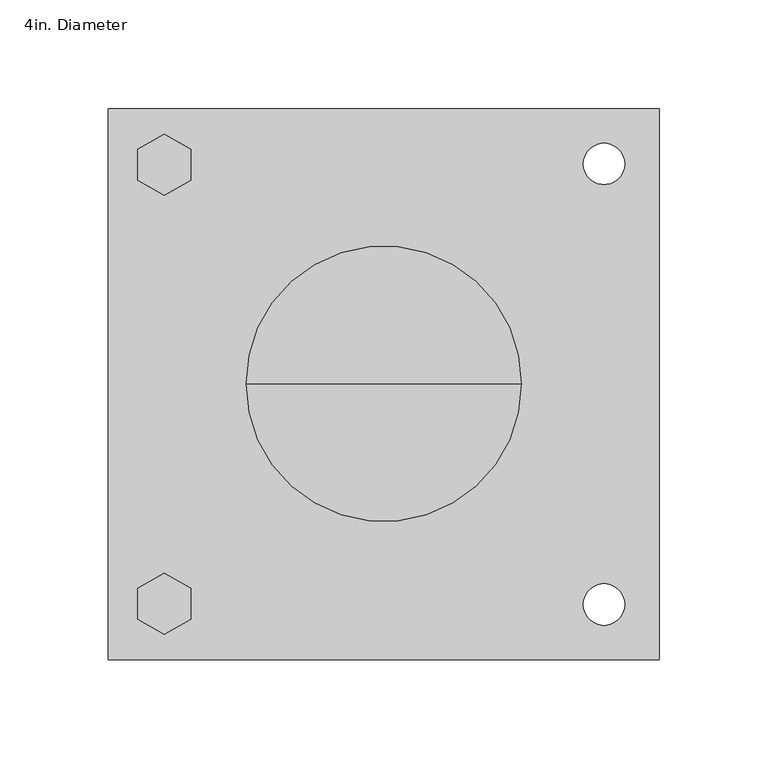
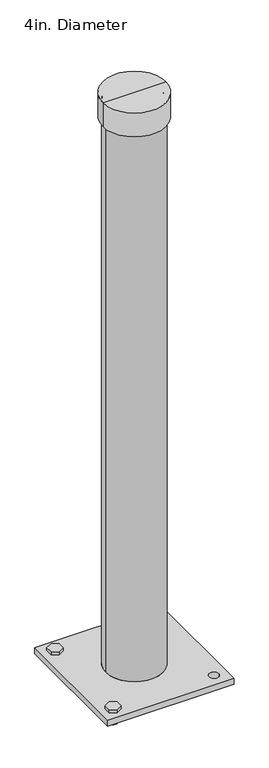
"""IFC4 building model written with IfcOpenShell, lengths in millimetres: proxy geometry, 4in. Diameter."""

from ifc_helpers import new_model, si_unit, frame, origin, place, context, project, spatial, polyline, circle_curve, source, transform, mapped, element, save
from ifc_brep_helpers import plane_surface, cylinder_surface, revolved_surface, advanced_brep


def proxy_4in_diameter_64a2c681(model_context):
    return source(origin(), model_context, "Body", "AdvancedBrep", [
        advanced_brep(
        [(-108.4356769, -101.6, 12.7009058), (-110.5262054, -101.6, 11.4939386), (-92.6885919, -101.6, 11.4939386), (-94.7791204, -101.6, 12.7009058), (-108.4356769, -101.6, 10.5191092), (-94.7791204, -101.6, 10.5191092), (-110.5262054, -101.6, 9.312142), (-92.6885919, -101.6, 9.312142), (-108.4356769, -101.6, 8.3373125), (-94.7791204, -101.6, 8.3373125), (-110.5262054, -101.6, 7.1303454), (-92.6885919, -101.6, 7.1303454), (-108.4356769, -101.6, 6.1555159), (-94.7791204, -101.6, 6.1555159), (-110.5262054, -101.6, 4.9485487), (-92.6885919, -101.6, 4.9485487), (-108.4356769, -101.6, 3.9737193), (-94.7791204, -101.6, 3.9737193), (-110.5262054, -101.6, 2.7667521), (-92.6885919, -101.6, 2.7667521), (-108.4356769, -101.6, 1.7919227), (-94.7791204, -101.6, 1.7919227), (-110.5262054, -101.6, 0.5849555), (-92.6885919, -101.6, 0.5849555), (-108.4356769, -101.6, -0.3898739), (-94.7791204, -101.6, -0.3898739), (-110.5262054, -101.6, -1.5968411), (-92.6885919, -101.6, -1.5968411), (-108.4356769, -101.6, -2.5716705), (-94.7791204, -101.6, -2.5716705), (-110.5262054, -101.6, -3.7786377), (-92.6885919, -101.6, -3.7786377), (-108.4356769, -101.6, -4.7534672), (-94.7791204, -101.6, -4.7534672), (-110.5262054, -101.6, -5.9604343), (-92.6885919, -101.6, -5.9604343), (-108.4356769, -101.6, -6.9352638), (-94.7791204, -101.6, -6.9352638), (-110.5262054, -101.6, -8.142231), (-92.6885919, -101.6, -8.142231), (-108.4356769, -101.6, -9.1170604), (-94.7791204, -101.6, -9.1170604), (-110.5262054, -101.6, -10.3240276), (-92.6885919, -101.6, -10.3240276), (-108.4356769, -101.6, -11.298857), (-94.7791204, -101.6, -11.298857), (-110.5262054, -101.6, -12.5058242), (-92.6885919, -101.6, -12.5058242), (-108.4356769, -101.6, -13.4806536), (-94.7791204, -101.6, -13.4806536), (-110.5262054, -101.6, -14.6876208), (-92.6885919, -101.6, -14.6876208), (-101.6073986, -101.6, -14.6876208), (-101.3261606, -115.3513169, 19.0730774), (-89.0931953, -108.2886111, 19.0730774), (-89.0931953, -94.1631994, 19.0730774), (-101.3261606, -87.1004935, 19.0730774), (-113.559126, -94.1631994, 19.0730774), (-113.559126, -108.2886111, 19.0730774), (-101.3261606, -115.3513169, 12.7), (-113.559126, -108.2886111, 12.7), (-113.559126, -94.1631994, 12.7), (-101.3261606, -87.1004935, 12.7), (-89.0931953, -94.1631994, 12.7), (-89.0931953, -108.2886111, 12.7)],
        [
            (0, 1),
            (1, 2, circle_curve(frame((-101.6073986, -101.6, 11.4939386), z_axis=(0.0, 0.0, 1.0), x_axis=(-1.0, 0.0, 0.0)), 8.9188068)),
            (2, 3),
            (3, 0, circle_curve(frame((-101.6073986, -101.6, 12.7), z_axis=(0.0, 0.0, -1.0), x_axis=(-1.0, 0.0, 0.0)), 6.8298471)),
            (0, 3, circle_curve(frame((-101.6073986, -101.6, 12.7), z_axis=(0.0, 0.0, -1.0), x_axis=(-1.0, 0.0, 0.0)), 6.8298471)),
            (2, 1, circle_curve(frame((-101.6073986, -101.6, 11.4939386), z_axis=(0.0, 0.0, 1.0), x_axis=(-1.0, 0.0, 0.0)), 8.9188068)),
            (1, 4),
            (4, 5, circle_curve(frame((-101.6073986, -101.6, 10.5191092), z_axis=(0.0, 0.0, 1.0), x_axis=(-1.0, 0.0, 0.0)), 6.8282783)),
            (5, 2),
            (5, 4, circle_curve(frame((-101.6073986, -101.6, 10.5191092), z_axis=(0.0, 0.0, 1.0), x_axis=(-1.0, 0.0, 0.0)), 6.8282783)),
            (4, 6),
            (6, 7, circle_curve(frame((-101.6073986, -101.6, 9.312142), z_axis=(0.0, 0.0, 1.0), x_axis=(-1.0, 0.0, 0.0)), 8.9188068)),
            (7, 5),
            (7, 6, circle_curve(frame((-101.6073986, -101.6, 9.312142), z_axis=(0.0, 0.0, 1.0), x_axis=(-1.0, 0.0, 0.0)), 8.9188068)),
            (6, 8),
            (8, 9, circle_curve(frame((-101.6073986, -101.6, 8.3373125), z_axis=(0.0, 0.0, 1.0), x_axis=(-1.0, 0.0, 0.0)), 6.8282783)),
            (9, 7),
            (9, 8, circle_curve(frame((-101.6073986, -101.6, 8.3373125), z_axis=(0.0, 0.0, 1.0), x_axis=(-1.0, 0.0, 0.0)), 6.8282783)),
            (8, 10),
            (10, 11, circle_curve(frame((-101.6073986, -101.6, 7.1303454), z_axis=(0.0, 0.0, 1.0), x_axis=(-1.0, 0.0, 0.0)), 8.9188068)),
            (11, 9),
            (11, 10, circle_curve(frame((-101.6073986, -101.6, 7.1303454), z_axis=(0.0, 0.0, 1.0), x_axis=(-1.0, 0.0, 0.0)), 8.9188068)),
            (10, 12),
            (12, 13, circle_curve(frame((-101.6073986, -101.6, 6.1555159), z_axis=(0.0, 0.0, 1.0), x_axis=(-1.0, 0.0, 0.0)), 6.8282783)),
            (13, 11),
            (13, 12, circle_curve(frame((-101.6073986, -101.6, 6.1555159), z_axis=(0.0, 0.0, 1.0), x_axis=(-1.0, 0.0, 0.0)), 6.8282783)),
            (12, 14),
            (14, 15, circle_curve(frame((-101.6073986, -101.6, 4.9485487), z_axis=(0.0, 0.0, 1.0), x_axis=(-1.0, 0.0, 0.0)), 8.9188068)),
            (15, 13),
            (15, 14, circle_curve(frame((-101.6073986, -101.6, 4.9485487), z_axis=(0.0, 0.0, 1.0), x_axis=(-1.0, 0.0, 0.0)), 8.9188068)),
            (14, 16),
            (16, 17, circle_curve(frame((-101.6073986, -101.6, 3.9737193), z_axis=(0.0, 0.0, 1.0), x_axis=(-1.0, 0.0, 0.0)), 6.8282783)),
            (17, 15),
            (17, 16, circle_curve(frame((-101.6073986, -101.6, 3.9737193), z_axis=(0.0, 0.0, 1.0), x_axis=(-1.0, 0.0, 0.0)), 6.8282783)),
            (16, 18),
            (18, 19, circle_curve(frame((-101.6073986, -101.6, 2.7667521), z_axis=(0.0, 0.0, 1.0), x_axis=(-1.0, 0.0, 0.0)), 8.9188068)),
            (19, 17),
            (19, 18, circle_curve(frame((-101.6073986, -101.6, 2.7667521), z_axis=(0.0, 0.0, 1.0), x_axis=(-1.0, 0.0, 0.0)), 8.9188068)),
            (18, 20),
            (20, 21, circle_curve(frame((-101.6073986, -101.6, 1.7919227), z_axis=(0.0, 0.0, 1.0), x_axis=(-1.0, 0.0, 0.0)), 6.8282783)),
            (21, 19),
            (21, 20, circle_curve(frame((-101.6073986, -101.6, 1.7919227), z_axis=(0.0, 0.0, 1.0), x_axis=(-1.0, 0.0, 0.0)), 6.8282783)),
            (20, 22),
            (22, 23, circle_curve(frame((-101.6073986, -101.6, 0.5849555), z_axis=(0.0, 0.0, 1.0), x_axis=(-1.0, 0.0, 0.0)), 8.9188068)),
            (23, 21),
            (23, 22, circle_curve(frame((-101.6073986, -101.6, 0.5849555), z_axis=(0.0, 0.0, 1.0), x_axis=(-1.0, 0.0, 0.0)), 8.9188068)),
            (22, 24),
            (24, 25, circle_curve(frame((-101.6073986, -101.6, -0.3898739), z_axis=(0.0, 0.0, 1.0), x_axis=(-1.0, 0.0, 0.0)), 6.8282783)),
            (25, 23),
            (25, 24, circle_curve(frame((-101.6073986, -101.6, -0.3898739), z_axis=(0.0, 0.0, 1.0), x_axis=(-1.0, 0.0, 0.0)), 6.8282783)),
            (24, 26),
            (26, 27, circle_curve(frame((-101.6073986, -101.6, -1.5968411), z_axis=(0.0, 0.0, 1.0), x_axis=(-1.0, 0.0, 0.0)), 8.9188068)),
            (27, 25),
            (27, 26, circle_curve(frame((-101.6073986, -101.6, -1.5968411), z_axis=(0.0, 0.0, 1.0), x_axis=(-1.0, 0.0, 0.0)), 8.9188068)),
            (26, 28),
            (28, 29, circle_curve(frame((-101.6073986, -101.6, -2.5716705), z_axis=(0.0, 0.0, 1.0), x_axis=(-1.0, 0.0, 0.0)), 6.8282783)),
            (29, 27),
            (29, 28, circle_curve(frame((-101.6073986, -101.6, -2.5716705), z_axis=(0.0, 0.0, 1.0), x_axis=(-1.0, 0.0, 0.0)), 6.8282783)),
            (28, 30),
            (30, 31, circle_curve(frame((-101.6073986, -101.6, -3.7786377), z_axis=(0.0, 0.0, 1.0), x_axis=(-1.0, 0.0, 0.0)), 8.9188068)),
            (31, 29),
            (31, 30, circle_curve(frame((-101.6073986, -101.6, -3.7786377), z_axis=(0.0, 0.0, 1.0), x_axis=(-1.0, 0.0, 0.0)), 8.9188068)),
            (30, 32),
            (32, 33, circle_curve(frame((-101.6073986, -101.6, -4.7534672), z_axis=(0.0, 0.0, 1.0), x_axis=(-1.0, 0.0, 0.0)), 6.8282783)),
            (33, 31),
            (33, 32, circle_curve(frame((-101.6073986, -101.6, -4.7534672), z_axis=(0.0, 0.0, 1.0), x_axis=(-1.0, 0.0, 0.0)), 6.8282783)),
            (32, 34),
            (34, 35, circle_curve(frame((-101.6073986, -101.6, -5.9604343), z_axis=(0.0, 0.0, 1.0), x_axis=(-1.0, 0.0, 0.0)), 8.9188068)),
            (35, 33),
            (35, 34, circle_curve(frame((-101.6073986, -101.6, -5.9604343), z_axis=(0.0, 0.0, 1.0), x_axis=(-1.0, 0.0, 0.0)), 8.9188068)),
            (34, 36),
            (36, 37, circle_curve(frame((-101.6073986, -101.6, -6.9352638), z_axis=(0.0, 0.0, 1.0), x_axis=(-1.0, 0.0, 0.0)), 6.8282783)),
            (37, 35),
            (37, 36, circle_curve(frame((-101.6073986, -101.6, -6.9352638), z_axis=(0.0, 0.0, 1.0), x_axis=(-1.0, 0.0, 0.0)), 6.8282783)),
            (36, 38),
            (38, 39, circle_curve(frame((-101.6073986, -101.6, -8.142231), z_axis=(0.0, 0.0, 1.0), x_axis=(-1.0, 0.0, 0.0)), 8.9188068)),
            (39, 37),
            (39, 38, circle_curve(frame((-101.6073986, -101.6, -8.142231), z_axis=(0.0, 0.0, 1.0), x_axis=(-1.0, 0.0, 0.0)), 8.9188068)),
            (38, 40),
            (40, 41, circle_curve(frame((-101.6073986, -101.6, -9.1170604), z_axis=(0.0, 0.0, 1.0), x_axis=(-1.0, 0.0, 0.0)), 6.8282783)),
            (41, 39),
            (41, 40, circle_curve(frame((-101.6073986, -101.6, -9.1170604), z_axis=(0.0, 0.0, 1.0), x_axis=(-1.0, 0.0, 0.0)), 6.8282783)),
            (40, 42),
            (42, 43, circle_curve(frame((-101.6073986, -101.6, -10.3240276), z_axis=(0.0, 0.0, 1.0), x_axis=(-1.0, 0.0, 0.0)), 8.9188068)),
            (43, 41),
            (43, 42, circle_curve(frame((-101.6073986, -101.6, -10.3240276), z_axis=(0.0, 0.0, 1.0), x_axis=(-1.0, 0.0, 0.0)), 8.9188068)),
            (42, 44),
            (44, 45, circle_curve(frame((-101.6073986, -101.6, -11.298857), z_axis=(0.0, 0.0, 1.0), x_axis=(-1.0, 0.0, 0.0)), 6.8282783)),
            (45, 43),
            (45, 44, circle_curve(frame((-101.6073986, -101.6, -11.298857), z_axis=(0.0, 0.0, 1.0), x_axis=(-1.0, 0.0, 0.0)), 6.8282783)),
            (44, 46),
            (46, 47, circle_curve(frame((-101.6073986, -101.6, -12.5058242), z_axis=(0.0, 0.0, 1.0), x_axis=(-1.0, 0.0, 0.0)), 8.9188068)),
            (47, 45),
            (47, 46, circle_curve(frame((-101.6073986, -101.6, -12.5058242), z_axis=(0.0, 0.0, 1.0), x_axis=(-1.0, 0.0, 0.0)), 8.9188068)),
            (46, 48),
            (48, 49, circle_curve(frame((-101.6073986, -101.6, -13.4806536), z_axis=(0.0, 0.0, 1.0), x_axis=(-1.0, 0.0, 0.0)), 6.8282783)),
            (49, 47),
            (49, 48, circle_curve(frame((-101.6073986, -101.6, -13.4806536), z_axis=(0.0, 0.0, 1.0), x_axis=(-1.0, 0.0, 0.0)), 6.8282783)),
            (48, 50),
            (50, 51, circle_curve(frame((-101.6073986, -101.6, -14.6876208), z_axis=(0.0, 0.0, 1.0), x_axis=(-1.0, 0.0, 0.0)), 8.9188068)),
            (51, 49),
            (51, 50, circle_curve(frame((-101.6073986, -101.6, -14.6876208), z_axis=(0.0, 0.0, 1.0), x_axis=(-1.0, 0.0, 0.0)), 8.9188068)),
            (50, 52),
            (52, 51),
            (53, 54),
            (54, 55),
            (55, 56),
            (56, 57),
            (57, 58),
            (58, 53),
            (59, 60),
            (60, 61),
            (61, 62),
            (62, 63),
            (63, 64),
            (64, 59),
            (58, 60),
            (59, 53),
            (57, 61),
            (56, 62),
            (55, 63),
            (54, 64),
        ],
        [
            revolved_surface(polyline([(-110.5262054, -101.6, 11.4939386), (-108.4356769, -101.6, 12.7009058)]), (-101.6073986, -101.6, 12.5015625), (0.0, 0.0, 1.0)),
            revolved_surface(polyline([(-108.4356769, -101.6, 10.5191092), (-110.5262054, -101.6, 11.4939386)]), (-101.6073986, -101.6, 12.5015625), (0.0, 0.0, 1.0)),
            revolved_surface(polyline([(-110.5262054, -101.6, 9.312142), (-108.4356769, -101.6, 10.5191092)]), (-101.6073986, -101.6, 12.5015625), (0.0, 0.0, 1.0)),
            revolved_surface(polyline([(-108.4356769, -101.6, 8.3373125), (-110.5262054, -101.6, 9.312142)]), (-101.6073986, -101.6, 12.5015625), (0.0, 0.0, 1.0)),
            revolved_surface(polyline([(-110.5262054, -101.6, 7.1303454), (-108.4356769, -101.6, 8.3373125)]), (-101.6073986, -101.6, 12.5015625), (0.0, 0.0, 1.0)),
            revolved_surface(polyline([(-108.4356769, -101.6, 6.1555159), (-110.5262054, -101.6, 7.1303454)]), (-101.6073986, -101.6, 12.5015625), (0.0, 0.0, 1.0)),
            revolved_surface(polyline([(-110.5262054, -101.6, 4.9485487), (-108.4356769, -101.6, 6.1555159)]), (-101.6073986, -101.6, 12.5015625), (0.0, 0.0, 1.0)),
            revolved_surface(polyline([(-108.4356769, -101.6, 3.9737193), (-110.5262054, -101.6, 4.9485487)]), (-101.6073986, -101.6, 12.5015625), (0.0, 0.0, 1.0)),
            revolved_surface(polyline([(-110.5262054, -101.6, 2.7667521), (-108.4356769, -101.6, 3.9737193)]), (-101.6073986, -101.6, 12.5015625), (0.0, 0.0, 1.0)),
            revolved_surface(polyline([(-108.4356769, -101.6, 1.7919227), (-110.5262054, -101.6, 2.7667521)]), (-101.6073986, -101.6, 12.5015625), (0.0, 0.0, 1.0)),
            revolved_surface(polyline([(-110.5262054, -101.6, 0.5849555), (-108.4356769, -101.6, 1.7919227)]), (-101.6073986, -101.6, 12.5015625), (0.0, 0.0, 1.0)),
            revolved_surface(polyline([(-108.4356769, -101.6, -0.3898739), (-110.5262054, -101.6, 0.5849555)]), (-101.6073986, -101.6, 12.5015625), (0.0, 0.0, 1.0)),
            revolved_surface(polyline([(-110.5262054, -101.6, -1.5968411), (-108.4356769, -101.6, -0.3898739)]), (-101.6073986, -101.6, 12.5015625), (0.0, 0.0, 1.0)),
            revolved_surface(polyline([(-108.4356769, -101.6, -2.5716705), (-110.5262054, -101.6, -1.5968411)]), (-101.6073986, -101.6, 12.5015625), (0.0, 0.0, 1.0)),
            revolved_surface(polyline([(-110.5262054, -101.6, -3.7786377), (-108.4356769, -101.6, -2.5716705)]), (-101.6073986, -101.6, 12.5015625), (0.0, 0.0, 1.0)),
            revolved_surface(polyline([(-108.4356769, -101.6, -4.7534672), (-110.5262054, -101.6, -3.7786377)]), (-101.6073986, -101.6, 12.5015625), (0.0, 0.0, 1.0)),
            revolved_surface(polyline([(-110.5262054, -101.6, -5.9604343), (-108.4356769, -101.6, -4.7534672)]), (-101.6073986, -101.6, 12.5015625), (0.0, 0.0, 1.0)),
            revolved_surface(polyline([(-108.4356769, -101.6, -6.9352638), (-110.5262054, -101.6, -5.9604343)]), (-101.6073986, -101.6, 12.5015625), (0.0, 0.0, 1.0)),
            revolved_surface(polyline([(-110.5262054, -101.6, -8.142231), (-108.4356769, -101.6, -6.9352638)]), (-101.6073986, -101.6, 12.5015625), (0.0, 0.0, 1.0)),
            revolved_surface(polyline([(-108.4356769, -101.6, -9.1170604), (-110.5262054, -101.6, -8.142231)]), (-101.6073986, -101.6, 12.5015625), (0.0, 0.0, 1.0)),
            revolved_surface(polyline([(-110.5262054, -101.6, -10.3240276), (-108.4356769, -101.6, -9.1170604)]), (-101.6073986, -101.6, 12.5015625), (0.0, 0.0, 1.0)),
            revolved_surface(polyline([(-108.4356769, -101.6, -11.298857), (-110.5262054, -101.6, -10.3240276)]), (-101.6073986, -101.6, 12.5015625), (0.0, 0.0, 1.0)),
            revolved_surface(polyline([(-110.5262054, -101.6, -12.5058242), (-108.4356769, -101.6, -11.298857)]), (-101.6073986, -101.6, 12.5015625), (0.0, 0.0, 1.0)),
            revolved_surface(polyline([(-108.4356769, -101.6, -13.4806536), (-110.5262054, -101.6, -12.5058242)]), (-101.6073986, -101.6, 12.5015625), (0.0, 0.0, 1.0)),
            revolved_surface(polyline([(-110.5262054, -101.6, -14.6876208), (-108.4356769, -101.6, -13.4806536)]), (-101.6073986, -101.6, 12.5015625), (0.0, 0.0, 1.0)),
            plane_surface(frame((-101.6073986, -101.6, -14.6876208), z_axis=(0.0, 0.0, -1.0), x_axis=(-1.0, 0.0, 0.0))),
            plane_surface(frame((-87.272178, -107.2372462, 19.0730774), z_axis=(0.0, 0.0, 1.0), x_axis=(0.866025403784438, 0.5000000000000011, 0.0))),
            plane_surface(frame((-87.272178, -107.2372462, 12.7), z_axis=(0.0, 0.0, -1.0), x_axis=(-0.866025403784438, -0.5000000000000011, 0.0))),
            plane_surface(frame((-113.559126, -108.2886111, 19.0730774), z_axis=(-0.4999999999999984, -0.8660254037844396, 0.0), x_axis=(0.0, 0.0, -1.0))),
            plane_surface(frame((-113.559126, -94.1631994, 19.0730774), z_axis=(-1.0, 0.0, 0.0), x_axis=(0.0, 0.0, -1.0))),
            plane_surface(frame((-101.3261606, -87.1004935, 19.0730774), z_axis=(-0.5000000000000028, 0.8660254037844372, 0.0), x_axis=(0.0, 0.0, -1.0))),
            plane_surface(frame((-89.0931953, -94.1631994, 19.0730774), z_axis=(0.49999999999999434, 0.8660254037844419, 0.0), x_axis=(0.0, 0.0, -1.0))),
            plane_surface(frame((-89.0931953, -108.2886111, 19.0730774), z_axis=(1.0, 0.0, 0.0), x_axis=(0.0, 0.0, -1.0))),
            plane_surface(frame((-101.3261606, -115.3513169, 19.0730774), z_axis=(0.5000000000000011, -0.866025403784438, 0.0), x_axis=(0.0, 0.0, -1.0))),
        ],
        [
            (0, [[1, 2, 3, 4]]),
            (0, [[-1, 5, -3, 6]]),
            (1, [[-2, 7, 8, 9]]),
            (1, [[-6, -9, 10, -7]]),
            (2, [[-8, 11, 12, 13]]),
            (2, [[-10, -13, 14, -11]]),
            (3, [[-12, 15, 16, 17]]),
            (3, [[-14, -17, 18, -15]]),
            (4, [[-16, 19, 20, 21]]),
            (4, [[-18, -21, 22, -19]]),
            (5, [[-20, 23, 24, 25]]),
            (5, [[-22, -25, 26, -23]]),
            (6, [[-24, 27, 28, 29]]),
            (6, [[-26, -29, 30, -27]]),
            (7, [[-28, 31, 32, 33]]),
            (7, [[-30, -33, 34, -31]]),
            (8, [[-32, 35, 36, 37]]),
            (8, [[-34, -37, 38, -35]]),
            (9, [[-36, 39, 40, 41]]),
            (9, [[-38, -41, 42, -39]]),
            (10, [[-40, 43, 44, 45]]),
            (10, [[-42, -45, 46, -43]]),
            (11, [[-44, 47, 48, 49]]),
            (11, [[-46, -49, 50, -47]]),
            (12, [[-48, 51, 52, 53]]),
            (12, [[-50, -53, 54, -51]]),
            (13, [[-52, 55, 56, 57]]),
            (13, [[-54, -57, 58, -55]]),
            (14, [[-56, 59, 60, 61]]),
            (14, [[-58, -61, 62, -59]]),
            (15, [[-60, 63, 64, 65]]),
            (15, [[-62, -65, 66, -63]]),
            (16, [[-64, 67, 68, 69]]),
            (16, [[-66, -69, 70, -67]]),
            (17, [[-68, 71, 72, 73]]),
            (17, [[-70, -73, 74, -71]]),
            (18, [[-72, 75, 76, 77]]),
            (18, [[-74, -77, 78, -75]]),
            (19, [[-76, 79, 80, 81]]),
            (19, [[-78, -81, 82, -79]]),
            (20, [[-80, 83, 84, 85]]),
            (20, [[-82, -85, 86, -83]]),
            (21, [[-84, 87, 88, 89]]),
            (21, [[-86, -89, 90, -87]]),
            (22, [[-88, 91, 92, 93]]),
            (22, [[-90, -93, 94, -91]]),
            (23, [[-92, 95, 96, 97]]),
            (23, [[-94, -97, 98, -95]]),
            (24, [[-96, 99, 100, 101]]),
            (24, [[-98, -101, 102, -99]]),
            (25, [[-100, 103, 104]]),
            (25, [[-102, -104, -103]]),
            (26, [[105, 106, 107, 108, 109, 110]]),
            (27, [[111, 112, 113, 114, 115, 116], [-4, -5]]),
            (28, [[-110, 117, -111, 118]]),
            (29, [[-109, 119, -112, -117]]),
            (30, [[-108, 120, -113, -119]]),
            (31, [[-107, 121, -114, -120]]),
            (32, [[-106, 122, -115, -121]]),
            (33, [[-105, -118, -116, -122]]),
        ],
    ),
        advanced_brep(
        [(-101.3261606, 115.3513169, 19.0730774), (-113.559126, 108.2886111, 19.0730774), (-113.559126, 94.1631994, 19.0730774), (-101.3261606, 87.1004935, 19.0730774), (-89.0931953, 94.1631994, 19.0730774), (-89.0931953, 108.2886111, 19.0730774), (-101.3261606, 115.3513169, 12.7), (-89.0931953, 108.2886111, 12.7), (-89.0931953, 94.1631994, 12.7), (-101.3261606, 87.1004935, 12.7), (-113.559126, 94.1631994, 12.7), (-113.559126, 108.2886111, 12.7), (-94.7775515, 101.6, 12.7), (-108.4372458, 101.6, 12.7), (-92.6885919, 101.6, 11.4939386), (-110.5262054, 101.6, 11.4939386), (-94.7791204, 101.6, 10.5191092), (-108.4356769, 101.6, 10.5191092), (-92.6885919, 101.6, 9.312142), (-110.5262054, 101.6, 9.312142), (-94.7791204, 101.6, 8.3373125), (-108.4356769, 101.6, 8.3373125), (-92.6885919, 101.6, 7.1303454), (-110.5262054, 101.6, 7.1303454), (-94.7791204, 101.6, 6.1555159), (-108.4356769, 101.6, 6.1555159), (-92.6885919, 101.6, 4.9485487), (-110.5262054, 101.6, 4.9485487), (-94.7791204, 101.6, 3.9737193), (-108.4356769, 101.6, 3.9737193), (-92.6885919, 101.6, 2.7667521), (-110.5262054, 101.6, 2.7667521), (-94.7791204, 101.6, 1.7919227), (-108.4356769, 101.6, 1.7919227), (-92.6885919, 101.6, 0.5849555), (-110.5262054, 101.6, 0.5849555), (-94.7791204, 101.6, -0.3898739), (-108.4356769, 101.6, -0.3898739), (-92.6885919, 101.6, -1.5968411), (-110.5262054, 101.6, -1.5968411), (-94.7791204, 101.6, -2.5716705), (-108.4356769, 101.6, -2.5716705), (-92.6885919, 101.6, -3.7786377), (-110.5262054, 101.6, -3.7786377), (-94.7791204, 101.6, -4.7534672), (-108.4356769, 101.6, -4.7534672), (-92.6885919, 101.6, -5.9604343), (-110.5262054, 101.6, -5.9604343), (-94.7791204, 101.6, -6.9352638), (-108.4356769, 101.6, -6.9352638), (-92.6885919, 101.6, -8.142231), (-110.5262054, 101.6, -8.142231), (-94.7791204, 101.6, -9.1170604), (-108.4356769, 101.6, -9.1170604), (-92.6885919, 101.6, -10.3240276), (-110.5262054, 101.6, -10.3240276), (-94.7791204, 101.6, -11.298857), (-108.4356769, 101.6, -11.298857), (-92.6885919, 101.6, -12.5058242), (-110.5262054, 101.6, -12.5058242), (-94.7791204, 101.6, -13.4806536), (-108.4356769, 101.6, -13.4806536), (-92.6885919, 101.6, -14.6876208), (-110.5262054, 101.6, -14.6876208), (-101.6073986, 101.6, -14.6876208)],
        [
            (0, 1),
            (1, 2),
            (2, 3),
            (3, 4),
            (4, 5),
            (5, 0),
            (6, 7),
            (7, 8),
            (8, 9),
            (9, 10),
            (10, 11),
            (11, 6),
            (12, 13, circle_curve(frame((-101.6073986, 101.6, 12.7), z_axis=(0.0, 0.0, 1.0), x_axis=(-1.0, 0.0, 0.0)), 6.8298471)),
            (13, 12, circle_curve(frame((-101.6073986, 101.6, 12.7), z_axis=(0.0, 0.0, 1.0), x_axis=(-1.0, 0.0, 0.0)), 6.8298471)),
            (0, 6),
            (11, 1),
            (10, 2),
            (9, 3),
            (8, 4),
            (7, 5),
            (14, 15, circle_curve(frame((-101.6073986, 101.6, 11.4939386), z_axis=(0.0, 0.0, 1.0), x_axis=(-1.0, 0.0, 0.0)), 8.9188068)),
            (15, 13),
            (12, 14),
            (15, 14, circle_curve(frame((-101.6073986, 101.6, 11.4939386), z_axis=(0.0, 0.0, 1.0), x_axis=(-1.0, 0.0, 0.0)), 8.9188068)),
            (14, 16),
            (16, 17, circle_curve(frame((-101.6073986, 101.6, 10.5191092), z_axis=(0.0, 0.0, 1.0), x_axis=(-1.0, 0.0, 0.0)), 6.8282783)),
            (17, 15),
            (17, 16, circle_curve(frame((-101.6073986, 101.6, 10.5191092), z_axis=(0.0, 0.0, 1.0), x_axis=(-1.0, 0.0, 0.0)), 6.8282783)),
            (16, 18),
            (18, 19, circle_curve(frame((-101.6073986, 101.6, 9.312142), z_axis=(0.0, 0.0, 1.0), x_axis=(-1.0, 0.0, 0.0)), 8.9188068)),
            (19, 17),
            (19, 18, circle_curve(frame((-101.6073986, 101.6, 9.312142), z_axis=(0.0, 0.0, 1.0), x_axis=(-1.0, 0.0, 0.0)), 8.9188068)),
            (18, 20),
            (20, 21, circle_curve(frame((-101.6073986, 101.6, 8.3373125), z_axis=(0.0, 0.0, 1.0), x_axis=(-1.0, 0.0, 0.0)), 6.8282783)),
            (21, 19),
            (21, 20, circle_curve(frame((-101.6073986, 101.6, 8.3373125), z_axis=(0.0, 0.0, 1.0), x_axis=(-1.0, 0.0, 0.0)), 6.8282783)),
            (20, 22),
            (22, 23, circle_curve(frame((-101.6073986, 101.6, 7.1303454), z_axis=(0.0, 0.0, 1.0), x_axis=(-1.0, 0.0, 0.0)), 8.9188068)),
            (23, 21),
            (23, 22, circle_curve(frame((-101.6073986, 101.6, 7.1303454), z_axis=(0.0, 0.0, 1.0), x_axis=(-1.0, 0.0, 0.0)), 8.9188068)),
            (22, 24),
            (24, 25, circle_curve(frame((-101.6073986, 101.6, 6.1555159), z_axis=(0.0, 0.0, 1.0), x_axis=(-1.0, 0.0, 0.0)), 6.8282783)),
            (25, 23),
            (25, 24, circle_curve(frame((-101.6073986, 101.6, 6.1555159), z_axis=(0.0, 0.0, 1.0), x_axis=(-1.0, 0.0, 0.0)), 6.8282783)),
            (24, 26),
            (26, 27, circle_curve(frame((-101.6073986, 101.6, 4.9485487), z_axis=(0.0, 0.0, 1.0), x_axis=(-1.0, 0.0, 0.0)), 8.9188068)),
            (27, 25),
            (27, 26, circle_curve(frame((-101.6073986, 101.6, 4.9485487), z_axis=(0.0, 0.0, 1.0), x_axis=(-1.0, 0.0, 0.0)), 8.9188068)),
            (26, 28),
            (28, 29, circle_curve(frame((-101.6073986, 101.6, 3.9737193), z_axis=(0.0, 0.0, 1.0), x_axis=(-1.0, 0.0, 0.0)), 6.8282783)),
            (29, 27),
            (29, 28, circle_curve(frame((-101.6073986, 101.6, 3.9737193), z_axis=(0.0, 0.0, 1.0), x_axis=(-1.0, 0.0, 0.0)), 6.8282783)),
            (28, 30),
            (30, 31, circle_curve(frame((-101.6073986, 101.6, 2.7667521), z_axis=(0.0, 0.0, 1.0), x_axis=(-1.0, 0.0, 0.0)), 8.9188068)),
            (31, 29),
            (31, 30, circle_curve(frame((-101.6073986, 101.6, 2.7667521), z_axis=(0.0, 0.0, 1.0), x_axis=(-1.0, 0.0, 0.0)), 8.9188068)),
            (30, 32),
            (32, 33, circle_curve(frame((-101.6073986, 101.6, 1.7919227), z_axis=(0.0, 0.0, 1.0), x_axis=(-1.0, 0.0, 0.0)), 6.8282783)),
            (33, 31),
            (33, 32, circle_curve(frame((-101.6073986, 101.6, 1.7919227), z_axis=(0.0, 0.0, 1.0), x_axis=(-1.0, 0.0, 0.0)), 6.8282783)),
            (32, 34),
            (34, 35, circle_curve(frame((-101.6073986, 101.6, 0.5849555), z_axis=(0.0, 0.0, 1.0), x_axis=(-1.0, 0.0, 0.0)), 8.9188068)),
            (35, 33),
            (35, 34, circle_curve(frame((-101.6073986, 101.6, 0.5849555), z_axis=(0.0, 0.0, 1.0), x_axis=(-1.0, 0.0, 0.0)), 8.9188068)),
            (34, 36),
            (36, 37, circle_curve(frame((-101.6073986, 101.6, -0.3898739), z_axis=(0.0, 0.0, 1.0), x_axis=(-1.0, 0.0, 0.0)), 6.8282783)),
            (37, 35),
            (37, 36, circle_curve(frame((-101.6073986, 101.6, -0.3898739), z_axis=(0.0, 0.0, 1.0), x_axis=(-1.0, 0.0, 0.0)), 6.8282783)),
            (36, 38),
            (38, 39, circle_curve(frame((-101.6073986, 101.6, -1.5968411), z_axis=(0.0, 0.0, 1.0), x_axis=(-1.0, 0.0, 0.0)), 8.9188068)),
            (39, 37),
            (39, 38, circle_curve(frame((-101.6073986, 101.6, -1.5968411), z_axis=(0.0, 0.0, 1.0), x_axis=(-1.0, 0.0, 0.0)), 8.9188068)),
            (38, 40),
            (40, 41, circle_curve(frame((-101.6073986, 101.6, -2.5716705), z_axis=(0.0, 0.0, 1.0), x_axis=(-1.0, 0.0, 0.0)), 6.8282783)),
            (41, 39),
            (41, 40, circle_curve(frame((-101.6073986, 101.6, -2.5716705), z_axis=(0.0, 0.0, 1.0), x_axis=(-1.0, 0.0, 0.0)), 6.8282783)),
            (40, 42),
            (42, 43, circle_curve(frame((-101.6073986, 101.6, -3.7786377), z_axis=(0.0, 0.0, 1.0), x_axis=(-1.0, 0.0, 0.0)), 8.9188068)),
            (43, 41),
            (43, 42, circle_curve(frame((-101.6073986, 101.6, -3.7786377), z_axis=(0.0, 0.0, 1.0), x_axis=(-1.0, 0.0, 0.0)), 8.9188068)),
            (42, 44),
            (44, 45, circle_curve(frame((-101.6073986, 101.6, -4.7534672), z_axis=(0.0, 0.0, 1.0), x_axis=(-1.0, 0.0, 0.0)), 6.8282783)),
            (45, 43),
            (45, 44, circle_curve(frame((-101.6073986, 101.6, -4.7534672), z_axis=(0.0, 0.0, 1.0), x_axis=(-1.0, 0.0, 0.0)), 6.8282783)),
            (44, 46),
            (46, 47, circle_curve(frame((-101.6073986, 101.6, -5.9604343), z_axis=(0.0, 0.0, 1.0), x_axis=(-1.0, 0.0, 0.0)), 8.9188068)),
            (47, 45),
            (47, 46, circle_curve(frame((-101.6073986, 101.6, -5.9604343), z_axis=(0.0, 0.0, 1.0), x_axis=(-1.0, 0.0, 0.0)), 8.9188068)),
            (46, 48),
            (48, 49, circle_curve(frame((-101.6073986, 101.6, -6.9352638), z_axis=(0.0, 0.0, 1.0), x_axis=(-1.0, 0.0, 0.0)), 6.8282783)),
            (49, 47),
            (49, 48, circle_curve(frame((-101.6073986, 101.6, -6.9352638), z_axis=(0.0, 0.0, 1.0), x_axis=(-1.0, 0.0, 0.0)), 6.8282783)),
            (48, 50),
            (50, 51, circle_curve(frame((-101.6073986, 101.6, -8.142231), z_axis=(0.0, 0.0, 1.0), x_axis=(-1.0, 0.0, 0.0)), 8.9188068)),
            (51, 49),
            (51, 50, circle_curve(frame((-101.6073986, 101.6, -8.142231), z_axis=(0.0, 0.0, 1.0), x_axis=(-1.0, 0.0, 0.0)), 8.9188068)),
            (50, 52),
            (52, 53, circle_curve(frame((-101.6073986, 101.6, -9.1170604), z_axis=(0.0, 0.0, 1.0), x_axis=(-1.0, 0.0, 0.0)), 6.8282783)),
            (53, 51),
            (53, 52, circle_curve(frame((-101.6073986, 101.6, -9.1170604), z_axis=(0.0, 0.0, 1.0), x_axis=(-1.0, 0.0, 0.0)), 6.8282783)),
            (52, 54),
            (54, 55, circle_curve(frame((-101.6073986, 101.6, -10.3240276), z_axis=(0.0, 0.0, 1.0), x_axis=(-1.0, 0.0, 0.0)), 8.9188068)),
            (55, 53),
            (55, 54, circle_curve(frame((-101.6073986, 101.6, -10.3240276), z_axis=(0.0, 0.0, 1.0), x_axis=(-1.0, 0.0, 0.0)), 8.9188068)),
            (54, 56),
            (56, 57, circle_curve(frame((-101.6073986, 101.6, -11.298857), z_axis=(0.0, 0.0, 1.0), x_axis=(-1.0, 0.0, 0.0)), 6.8282783)),
            (57, 55),
            (57, 56, circle_curve(frame((-101.6073986, 101.6, -11.298857), z_axis=(0.0, 0.0, 1.0), x_axis=(-1.0, 0.0, 0.0)), 6.8282783)),
            (56, 58),
            (58, 59, circle_curve(frame((-101.6073986, 101.6, -12.5058242), z_axis=(0.0, 0.0, 1.0), x_axis=(-1.0, 0.0, 0.0)), 8.9188068)),
            (59, 57),
            (59, 58, circle_curve(frame((-101.6073986, 101.6, -12.5058242), z_axis=(0.0, 0.0, 1.0), x_axis=(-1.0, 0.0, 0.0)), 8.9188068)),
            (58, 60),
            (60, 61, circle_curve(frame((-101.6073986, 101.6, -13.4806536), z_axis=(0.0, 0.0, 1.0), x_axis=(-1.0, 0.0, 0.0)), 6.8282783)),
            (61, 59),
            (61, 60, circle_curve(frame((-101.6073986, 101.6, -13.4806536), z_axis=(0.0, 0.0, 1.0), x_axis=(-1.0, 0.0, 0.0)), 6.8282783)),
            (60, 62),
            (62, 63, circle_curve(frame((-101.6073986, 101.6, -14.6876208), z_axis=(0.0, 0.0, 1.0), x_axis=(-1.0, 0.0, 0.0)), 8.9188068)),
            (63, 61),
            (63, 62, circle_curve(frame((-101.6073986, 101.6, -14.6876208), z_axis=(0.0, 0.0, 1.0), x_axis=(-1.0, 0.0, 0.0)), 8.9188068)),
            (62, 64),
            (64, 63),
        ],
        [
            plane_surface(frame((-99.5051433, 116.4026818, 19.0730774), z_axis=(0.0, 0.0, 1.0), x_axis=(-0.8660254037844396, -0.4999999999999984, 0.0))),
            plane_surface(frame((-99.5051433, 116.4026818, 12.7), z_axis=(0.0, 0.0, -1.0), x_axis=(0.8660254037844396, 0.4999999999999984, 0.0))),
            plane_surface(frame((-101.3261606, 115.3513169, 19.0730774), z_axis=(-0.4999999999999984, 0.8660254037844396, 0.0), x_axis=(0.0, 0.0, -1.0))),
            plane_surface(frame((-113.559126, 108.2886111, 19.0730774), z_axis=(-1.0, 0.0, 0.0), x_axis=(0.0, 0.0, -1.0))),
            plane_surface(frame((-113.559126, 94.1631994, 19.0730774), z_axis=(-0.5000000000000028, -0.8660254037844372, 0.0), x_axis=(0.0, 0.0, -1.0))),
            plane_surface(frame((-101.3261606, 87.1004935, 19.0730774), z_axis=(0.49999999999999434, -0.8660254037844419, 0.0), x_axis=(0.0, 0.0, -1.0))),
            plane_surface(frame((-89.0931953, 94.1631994, 19.0730774), z_axis=(1.0, 0.0, 0.0), x_axis=(0.0, 0.0, -1.0))),
            plane_surface(frame((-89.0931953, 108.2886111, 19.0730774), z_axis=(0.5000000000000011, 0.866025403784438, 0.0), x_axis=(0.0, 0.0, -1.0))),
            revolved_surface(polyline([(-108.4356769, 101.6, 12.7009058), (-110.5262054, 101.6, 11.4939386)]), (-101.6073986, 101.6, 12.5015625), (0.0, 0.0, -1.0)),
            revolved_surface(polyline([(-110.5262054, 101.6, 11.4939386), (-108.4356769, 101.6, 10.5191092)]), (-101.6073986, 101.6, 12.5015625), (0.0, 0.0, -1.0)),
            revolved_surface(polyline([(-108.4356769, 101.6, 10.5191092), (-110.5262054, 101.6, 9.312142)]), (-101.6073986, 101.6, 12.5015625), (0.0, 0.0, -1.0)),
            revolved_surface(polyline([(-110.5262054, 101.6, 9.312142), (-108.4356769, 101.6, 8.3373125)]), (-101.6073986, 101.6, 12.5015625), (0.0, 0.0, -1.0)),
            revolved_surface(polyline([(-108.4356769, 101.6, 8.3373125), (-110.5262054, 101.6, 7.1303454)]), (-101.6073986, 101.6, 12.5015625), (0.0, 0.0, -1.0)),
            revolved_surface(polyline([(-110.5262054, 101.6, 7.1303454), (-108.4356769, 101.6, 6.1555159)]), (-101.6073986, 101.6, 12.5015625), (0.0, 0.0, -1.0)),
            revolved_surface(polyline([(-108.4356769, 101.6, 6.1555159), (-110.5262054, 101.6, 4.9485487)]), (-101.6073986, 101.6, 12.5015625), (0.0, 0.0, -1.0)),
            revolved_surface(polyline([(-110.5262054, 101.6, 4.9485487), (-108.4356769, 101.6, 3.9737193)]), (-101.6073986, 101.6, 12.5015625), (0.0, 0.0, -1.0)),
            revolved_surface(polyline([(-108.4356769, 101.6, 3.9737193), (-110.5262054, 101.6, 2.7667521)]), (-101.6073986, 101.6, 12.5015625), (0.0, 0.0, -1.0)),
            revolved_surface(polyline([(-110.5262054, 101.6, 2.7667521), (-108.4356769, 101.6, 1.7919227)]), (-101.6073986, 101.6, 12.5015625), (0.0, 0.0, -1.0)),
            revolved_surface(polyline([(-108.4356769, 101.6, 1.7919227), (-110.5262054, 101.6, 0.5849555)]), (-101.6073986, 101.6, 12.5015625), (0.0, 0.0, -1.0)),
            revolved_surface(polyline([(-110.5262054, 101.6, 0.5849555), (-108.4356769, 101.6, -0.3898739)]), (-101.6073986, 101.6, 12.5015625), (0.0, 0.0, -1.0)),
            revolved_surface(polyline([(-108.4356769, 101.6, -0.3898739), (-110.5262054, 101.6, -1.5968411)]), (-101.6073986, 101.6, 12.5015625), (0.0, 0.0, -1.0)),
            revolved_surface(polyline([(-110.5262054, 101.6, -1.5968411), (-108.4356769, 101.6, -2.5716705)]), (-101.6073986, 101.6, 12.5015625), (0.0, 0.0, -1.0)),
            revolved_surface(polyline([(-108.4356769, 101.6, -2.5716705), (-110.5262054, 101.6, -3.7786377)]), (-101.6073986, 101.6, 12.5015625), (0.0, 0.0, -1.0)),
            revolved_surface(polyline([(-110.5262054, 101.6, -3.7786377), (-108.4356769, 101.6, -4.7534672)]), (-101.6073986, 101.6, 12.5015625), (0.0, 0.0, -1.0)),
            revolved_surface(polyline([(-108.4356769, 101.6, -4.7534672), (-110.5262054, 101.6, -5.9604343)]), (-101.6073986, 101.6, 12.5015625), (0.0, 0.0, -1.0)),
            revolved_surface(polyline([(-110.5262054, 101.6, -5.9604343), (-108.4356769, 101.6, -6.9352638)]), (-101.6073986, 101.6, 12.5015625), (0.0, 0.0, -1.0)),
            revolved_surface(polyline([(-108.4356769, 101.6, -6.9352638), (-110.5262054, 101.6, -8.142231)]), (-101.6073986, 101.6, 12.5015625), (0.0, 0.0, -1.0)),
            revolved_surface(polyline([(-110.5262054, 101.6, -8.142231), (-108.4356769, 101.6, -9.1170604)]), (-101.6073986, 101.6, 12.5015625), (0.0, 0.0, -1.0)),
            revolved_surface(polyline([(-108.4356769, 101.6, -9.1170604), (-110.5262054, 101.6, -10.3240276)]), (-101.6073986, 101.6, 12.5015625), (0.0, 0.0, -1.0)),
            revolved_surface(polyline([(-110.5262054, 101.6, -10.3240276), (-108.4356769, 101.6, -11.298857)]), (-101.6073986, 101.6, 12.5015625), (0.0, 0.0, -1.0)),
            revolved_surface(polyline([(-108.4356769, 101.6, -11.298857), (-110.5262054, 101.6, -12.5058242)]), (-101.6073986, 101.6, 12.5015625), (0.0, 0.0, -1.0)),
            revolved_surface(polyline([(-110.5262054, 101.6, -12.5058242), (-108.4356769, 101.6, -13.4806536)]), (-101.6073986, 101.6, 12.5015625), (0.0, 0.0, -1.0)),
            revolved_surface(polyline([(-108.4356769, 101.6, -13.4806536), (-110.5262054, 101.6, -14.6876208)]), (-101.6073986, 101.6, 12.5015625), (0.0, 0.0, -1.0)),
            plane_surface(frame((-101.6073986, 101.6, -14.6876208), z_axis=(0.0, 0.0, -1.0), x_axis=(-1.0, 0.0, 0.0))),
        ],
        [
            (0, [[1, 2, 3, 4, 5, 6]]),
            (1, [[7, 8, 9, 10, 11, 12], [13, 14]]),
            (2, [[-1, 15, -12, 16]]),
            (3, [[-2, -16, -11, 17]]),
            (4, [[-3, -17, -10, 18]]),
            (5, [[-4, -18, -9, 19]]),
            (6, [[-5, -19, -8, 20]]),
            (7, [[-6, -20, -7, -15]]),
            (8, [[21, 22, -13, 23]]),
            (8, [[-22, 24, -23, -14]]),
            (9, [[-21, 25, 26, 27]]),
            (9, [[-24, -27, 28, -25]]),
            (10, [[-26, 29, 30, 31]]),
            (10, [[-28, -31, 32, -29]]),
            (11, [[-30, 33, 34, 35]]),
            (11, [[-32, -35, 36, -33]]),
            (12, [[-34, 37, 38, 39]]),
            (12, [[-36, -39, 40, -37]]),
            (13, [[-38, 41, 42, 43]]),
            (13, [[-40, -43, 44, -41]]),
            (14, [[-42, 45, 46, 47]]),
            (14, [[-44, -47, 48, -45]]),
            (15, [[-46, 49, 50, 51]]),
            (15, [[-48, -51, 52, -49]]),
            (16, [[-50, 53, 54, 55]]),
            (16, [[-52, -55, 56, -53]]),
            (17, [[-54, 57, 58, 59]]),
            (17, [[-56, -59, 60, -57]]),
            (18, [[-58, 61, 62, 63]]),
            (18, [[-60, -63, 64, -61]]),
            (19, [[-62, 65, 66, 67]]),
            (19, [[-64, -67, 68, -65]]),
            (20, [[-66, 69, 70, 71]]),
            (20, [[-68, -71, 72, -69]]),
            (21, [[-70, 73, 74, 75]]),
            (21, [[-72, -75, 76, -73]]),
            (22, [[-74, 77, 78, 79]]),
            (22, [[-76, -79, 80, -77]]),
            (23, [[-78, 81, 82, 83]]),
            (23, [[-80, -83, 84, -81]]),
            (24, [[-82, 85, 86, 87]]),
            (24, [[-84, -87, 88, -85]]),
            (25, [[-86, 89, 90, 91]]),
            (25, [[-88, -91, 92, -89]]),
            (26, [[-90, 93, 94, 95]]),
            (26, [[-92, -95, 96, -93]]),
            (27, [[-94, 97, 98, 99]]),
            (27, [[-96, -99, 100, -97]]),
            (28, [[-98, 101, 102, 103]]),
            (28, [[-100, -103, 104, -101]]),
            (29, [[-102, 105, 106, 107]]),
            (29, [[-104, -107, 108, -105]]),
            (30, [[-106, 109, 110, 111]]),
            (30, [[-108, -111, 112, -109]]),
            (31, [[-110, 113, 114, 115]]),
            (31, [[-112, -115, 116, -113]]),
            (32, [[-114, 117, 118, 119]]),
            (32, [[-116, -119, 120, -117]]),
            (33, [[-118, 121, 122]]),
            (33, [[-120, -122, -121]]),
        ],
    ),
        advanced_brep(
        [(127.0, -127.0, 12.7), (127.0, 127.0, 12.7), (-127.0, 127.0, 12.7), (-127.0, -127.0, 12.7), (57.15, 0.0, 12.7), (-57.15, 0.0, 12.7), (-111.125, 101.6, 12.7), (-92.075, 101.6, 12.7), (92.075, 101.6, 12.7), (111.125, 101.6, 12.7), (-111.125, -101.6, 12.7), (-92.075, -101.6, 12.7), (92.075, -101.6, 12.7), (111.125, -101.6, 12.7), (50.8, 0.0, 12.7), (-50.8, 0.0, 12.7), (127.0, -127.0, 0.0), (-127.0, -127.0, 0.0), (-127.0, 127.0, 0.0), (127.0, 127.0, 0.0), (-111.125, 101.6, 0.0), (-92.075, 101.6, 0.0), (92.075, 101.6, 0.0), (111.125, 101.6, 0.0), (-111.125, -101.6, 0.0), (-92.075, -101.6, 0.0), (92.075, -101.6, 0.0), (111.125, -101.6, 0.0), (-57.15, 0.0, 1219.2), (57.15, 0.0, 1219.2), (-50.8, 0.0, 1219.2), (50.8, 0.0, 1219.2)],
        [
            (0, 1),
            (1, 2),
            (2, 3),
            (3, 0),
            (4, 5, circle_curve(frame((0.0, 0.0, 12.7), z_axis=(0.0, 0.0, -1.0), x_axis=(1.0, 0.0, 0.0)), 57.15)),
            (5, 4, circle_curve(frame((0.0, 0.0, 12.7), z_axis=(0.0, 0.0, -1.0), x_axis=(1.0, 0.0, 0.0)), 57.15)),
            (6, 7, circle_curve(frame((-101.6, 101.6, 12.7), z_axis=(0.0, 0.0, -1.0), x_axis=(1.0, 0.0, 0.0)), 9.525)),
            (7, 6, circle_curve(frame((-101.6, 101.6, 12.7), z_axis=(0.0, 0.0, -1.0), x_axis=(1.0, 0.0, 0.0)), 9.525)),
            (8, 9, circle_curve(frame((101.6, 101.6, 12.7), z_axis=(0.0, 0.0, -1.0), x_axis=(1.0, 0.0, 0.0)), 9.525)),
            (9, 8, circle_curve(frame((101.6, 101.6, 12.7), z_axis=(0.0, 0.0, -1.0), x_axis=(1.0, 0.0, 0.0)), 9.525)),
            (10, 11, circle_curve(frame((-101.6, -101.6, 12.7), z_axis=(0.0, 0.0, -1.0), x_axis=(1.0, 0.0, 0.0)), 9.525)),
            (11, 10, circle_curve(frame((-101.6, -101.6, 12.7), z_axis=(0.0, 0.0, -1.0), x_axis=(1.0, 0.0, 0.0)), 9.525)),
            (12, 13, circle_curve(frame((101.6, -101.6, 12.7), z_axis=(0.0, 0.0, -1.0), x_axis=(1.0, 0.0, 0.0)), 9.525)),
            (13, 12, circle_curve(frame((101.6, -101.6, 12.7), z_axis=(0.0, 0.0, -1.0), x_axis=(1.0, 0.0, 0.0)), 9.525)),
            (14, 15, circle_curve(frame((0.0, 0.0, 12.7), z_axis=(0.0, 0.0, 1.0), x_axis=(1.0, 0.0, 0.0)), 50.8)),
            (15, 14, circle_curve(frame((0.0, 0.0, 12.7), z_axis=(0.0, 0.0, 1.0), x_axis=(1.0, 0.0, 0.0)), 50.8)),
            (16, 17),
            (17, 18),
            (18, 19),
            (19, 16),
            (20, 21, circle_curve(frame((-101.6, 101.6, 0.0), z_axis=(0.0, 0.0, 1.0), x_axis=(1.0, 0.0, 0.0)), 9.525)),
            (21, 20, circle_curve(frame((-101.6, 101.6, 0.0), z_axis=(0.0, 0.0, 1.0), x_axis=(1.0, 0.0, 0.0)), 9.525)),
            (22, 23, circle_curve(frame((101.6, 101.6, 0.0), z_axis=(0.0, 0.0, 1.0), x_axis=(1.0, 0.0, 0.0)), 9.525)),
            (23, 22, circle_curve(frame((101.6, 101.6, 0.0), z_axis=(0.0, 0.0, 1.0), x_axis=(1.0, 0.0, 0.0)), 9.525)),
            (24, 25, circle_curve(frame((-101.6, -101.6, 0.0), z_axis=(0.0, 0.0, 1.0), x_axis=(1.0, 0.0, 0.0)), 9.525)),
            (25, 24, circle_curve(frame((-101.6, -101.6, 0.0), z_axis=(0.0, 0.0, 1.0), x_axis=(1.0, 0.0, 0.0)), 9.525)),
            (26, 27, circle_curve(frame((101.6, -101.6, 0.0), z_axis=(0.0, 0.0, 1.0), x_axis=(1.0, 0.0, 0.0)), 9.525)),
            (27, 26, circle_curve(frame((101.6, -101.6, 0.0), z_axis=(0.0, 0.0, 1.0), x_axis=(1.0, 0.0, 0.0)), 9.525)),
            (0, 16),
            (19, 1),
            (18, 2),
            (17, 3),
            (28, 29, circle_curve(frame((0.0, 0.0, 1219.2), z_axis=(0.0, 0.0, 1.0), x_axis=(1.0, 0.0, 0.0)), 57.15)),
            (29, 28, circle_curve(frame((0.0, 0.0, 1219.2), z_axis=(0.0, 0.0, 1.0), x_axis=(1.0, 0.0, 0.0)), 57.15)),
            (30, 31, circle_curve(frame((0.0, 0.0, 1219.2), z_axis=(0.0, 0.0, -1.0), x_axis=(1.0, 0.0, 0.0)), 50.8)),
            (31, 30, circle_curve(frame((0.0, 0.0, 1219.2), z_axis=(0.0, 0.0, -1.0), x_axis=(1.0, 0.0, 0.0)), 50.8)),
            (28, 5),
            (4, 29),
            (30, 15),
            (14, 31),
            (6, 20),
            (21, 7),
            (8, 22),
            (23, 9),
            (10, 24),
            (25, 11),
            (12, 26),
            (27, 13),
        ],
        [
            plane_surface(frame((127.0, 1524.0, 12.7), z_axis=(0.0, 0.0, 1.0), x_axis=(0.0, 1.0, 0.0))),
            plane_surface(frame((127.0, 1524.0, 0.0), z_axis=(0.0, 0.0, -1.0), x_axis=(0.0, -1.0, 0.0))),
            plane_surface(frame((127.0, -127.0, 12.7), z_axis=(1.0, 0.0, 0.0), x_axis=(0.0, 0.0, -1.0))),
            plane_surface(frame((127.0, 127.0, 12.7), z_axis=(0.0, 1.0, 0.0), x_axis=(0.0, 0.0, -1.0))),
            plane_surface(frame((-127.0, 127.0, 12.7), z_axis=(-1.0, 0.0, 0.0), x_axis=(0.0, 0.0, -1.0))),
            plane_surface(frame((-127.0, -127.0, 12.7), z_axis=(0.0, -1.0, 0.0), x_axis=(0.0, 0.0, -1.0))),
            plane_surface(frame((57.15, 0.0, 1219.2), z_axis=(0.0, 0.0, 1.0), x_axis=(0.0, 1.0, 0.0))),
            cylinder_surface(frame((0.0, 0.0, 12.7), z_axis=(0.0, 0.0, 1.0), x_axis=(1.0, 0.0, 0.0)), 57.15),
            revolved_surface(polyline([(50.8, 0.0, 12.7), (50.8, 0.0, 1219.2)]), (0.0, 0.0, 0.0), (0.0, 0.0, -1.0)),
            revolved_surface(polyline([(-92.07499999999999, 101.6, 0.0), (-92.07499999999999, 101.6, 12.7)]), (-101.6, 101.6, 0.0), (0.0, 0.0, -1.0)),
            revolved_surface(polyline([(111.125, 101.6, 0.0), (111.125, 101.6, 12.7)]), (101.6, 101.6, 0.0), (0.0, 0.0, -1.0)),
            revolved_surface(polyline([(-92.07499999999999, -101.6, 0.0), (-92.07499999999999, -101.6, 12.7)]), (-101.6, -101.6, 0.0), (0.0, 0.0, -1.0)),
            revolved_surface(polyline([(111.125, -101.6, 0.0), (111.125, -101.6, 12.7)]), (101.6, -101.6, 0.0), (0.0, 0.0, -1.0)),
        ],
        [
            (0, [[1, 2, 3, 4], [5, 6], [7, 8], [9, 10], [11, 12], [13, 14]]),
            (0, [[15, 16]]),
            (1, [[17, 18, 19, 20], [21, 22], [23, 24], [25, 26], [27, 28]]),
            (2, [[-1, 29, -20, 30]]),
            (3, [[-2, -30, -19, 31]]),
            (4, [[-3, -31, -18, 32]]),
            (5, [[-4, -32, -17, -29]]),
            (6, [[33, 34], [35, 36]]),
            (7, [[-33, 37, -5, 38]]),
            (7, [[-34, -38, -6, -37]]),
            (8, [[-35, 39, -15, 40]]),
            (8, [[-36, -40, -16, -39]]),
            (9, [[-7, 41, -22, 42]]),
            (9, [[-8, -42, -21, -41]]),
            (10, [[-9, 43, -24, 44]]),
            (10, [[-10, -44, -23, -43]]),
            (11, [[-11, 45, -26, 46]]),
            (11, [[-12, -46, -25, -45]]),
            (12, [[-13, 47, -28, 48]]),
            (12, [[-14, -48, -27, -47]]),
        ],
    ),
        advanced_brep(
        [(63.5, 0.0, 1174.75), (-63.5, 0.0, 1174.75), (-63.5, 0.0, 1225.55), (63.5, 0.0, 1225.55), (57.15, 0.0, 1174.75), (-57.15, 0.0, 1174.75), (57.15, 0.0, 1219.2), (-57.15, 0.0, 1219.2), (0.0, 0.0, 1219.2), (0.0, 0.0, 1225.55)],
        [
            (0, 1, circle_curve(frame((0.0, 0.0, 1174.75), z_axis=(0.0, 0.0, 1.0), x_axis=(-1.0, 0.0, 0.0)), 63.5)),
            (1, 2),
            (2, 3, circle_curve(frame((0.0, 0.0, 1225.55), z_axis=(0.0, 0.0, -1.0), x_axis=(-1.0, 0.0, 0.0)), 63.5)),
            (3, 0),
            (1, 0, circle_curve(frame((0.0, 0.0, 1174.75), z_axis=(0.0, 0.0, 1.0), x_axis=(-1.0, 0.0, 0.0)), 63.5)),
            (3, 2, circle_curve(frame((0.0, 0.0, 1225.55), z_axis=(0.0, 0.0, -1.0), x_axis=(-1.0, 0.0, 0.0)), 63.5)),
            (4, 5, circle_curve(frame((0.0, 0.0, 1174.75), z_axis=(0.0, 0.0, 1.0), x_axis=(-1.0, 0.0, 0.0)), 57.15)),
            (5, 1),
            (0, 4),
            (5, 4, circle_curve(frame((0.0, 0.0, 1174.75), z_axis=(0.0, 0.0, 1.0), x_axis=(-1.0, 0.0, 0.0)), 57.15)),
            (6, 7, circle_curve(frame((0.0, 0.0, 1219.2), z_axis=(0.0, 0.0, 1.0), x_axis=(-1.0, 0.0, 0.0)), 57.15)),
            (7, 5),
            (4, 6),
            (7, 6, circle_curve(frame((0.0, 0.0, 1219.2), z_axis=(0.0, 0.0, 1.0), x_axis=(-1.0, 0.0, 0.0)), 57.15)),
            (8, 7),
            (6, 8),
            (2, 9),
            (9, 3),
        ],
        [
            cylinder_surface(frame((0.0, 0.0, 2609.0581012), z_axis=(0.0, 0.0, -1.0), x_axis=(-1.0, 0.0, 0.0)), 63.5),
            plane_surface(frame((0.0, 0.0, 1174.75), z_axis=(0.0, 0.0, -1.0), x_axis=(-1.0, 0.0, 0.0))),
            revolved_surface(polyline([(-57.15, 0.0, 1174.75), (-57.15, 0.0, 1219.2)]), (0.0, 0.0, 2609.0581012), (0.0, 0.0, -1.0)),
            plane_surface(frame((0.0, 0.0, 1219.2), z_axis=(0.0, 0.0, -1.0), x_axis=(-1.0, 0.0, 0.0))),
            plane_surface(frame((0.0, 0.0, 1225.55), z_axis=(0.0, 0.0, 1.0), x_axis=(-1.0, 0.0, 0.0))),
        ],
        [
            (0, [[1, 2, 3, 4]]),
            (0, [[5, -4, 6, -2]]),
            (1, [[7, 8, -1, 9]]),
            (1, [[10, -9, -5, -8]]),
            (2, [[11, 12, -7, 13]]),
            (2, [[14, -13, -10, -12]]),
            (3, [[15, -11, 16]]),
            (3, [[-16, -14, -15]]),
            (4, [[-3, 17, 18]]),
            (4, [[-6, -18, -17]]),
        ],
    ),
    ])


if __name__ == "__main__":
    model = new_model("IFC4")
    model_context = context("Model", 3, world=origin())
    ifc_project = project(units=[si_unit("LENGTHUNIT", "METRE", prefix="MILLI")], contexts=[model_context])
    site = spatial("IfcSite", under=ifc_project)
    building = spatial("IfcBuilding", under=site)
    placement = place(None, origin())
    proxy_4in_diameter_shape = proxy_4in_diameter_64a2c681(model_context)
    element("IfcBuildingElementProxy", 1, Name="4in. Diameter", ObjectType="4in. Diameter", at=placement, inside=building, context=model_context, shape_type="MappedRepresentation", body=[
        mapped(proxy_4in_diameter_shape, transform((0.0, 0.0, 0.0), x_axis=(1.0, 0.0, 0.0), y_axis=(0.0, 1.0, 0.0), z_axis=(0.0, 0.0, 1.0))),
    ])
    save(model, "model.ifc")
